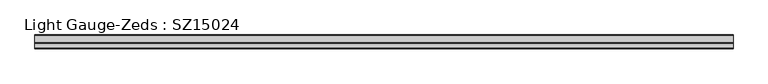
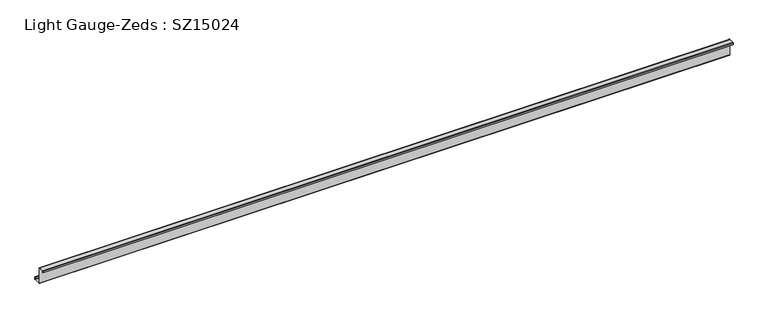
"""IFC4 building model written with IfcOpenShell, lengths in millimetres: beam geometry, Light Gauge-Zeds : SZ15024."""

from ifc_helpers import new_model, si_unit, point, frame, frame_2d, origin, place, context, project, spatial, polyline, circle_curve, trimmed, segment, composite_curve, outline, extrude, source, transform, mapped, element, save


def light_gauge_zeds_sz15024_4b74ed11(model_context):
    return source(origin(), model_context, "Body", "SweptSolid", [
        extrude(outline(composite_curve([segment(polyline([(0.0, -71.6), (0.0, 71.6)]), True, "CONTINUOUS"), segment(trimmed(circle_curve(frame_2d((-2.0, 71.6)), 2.0), [point((0.0, 71.6))], [point((-2.0, 73.6))], True, "CARTESIAN"), True, "CONTINUOUS"), segment(polyline([(-2.0, 73.6), (-47.6, 73.6)]), True, "CONTINUOUS"), segment(trimmed(circle_curve(frame_2d((-47.6, 71.6)), 2.0), [point((-47.6, 73.6))], [point((-49.6, 71.6))], True, "CARTESIAN"), True, "CONTINUOUS"), segment(polyline([(-49.6, 71.6), (-49.6, 57.0), (-52.0, 57.0), (-52.0, 71.6)]), True, "CONTINUOUS"), segment(trimmed(circle_curve(frame_2d((-47.6, 71.6)), 4.4), [point((-52.0, 71.6))], [point((-47.6, 76.0))], False, "CARTESIAN"), True, "CONTINUOUS"), segment(polyline([(-47.6, 76.0), (-2.0, 76.0)]), True, "CONTINUOUS"), segment(trimmed(circle_curve(frame_2d((-2.0, 71.6)), 4.4), [point((-2.0, 76.0))], [point((2.4, 71.6))], False, "CARTESIAN"), True, "CONTINUOUS"), segment(polyline([(2.4, 71.6), (2.4, -71.6)]), True, "CONTINUOUS"), segment(trimmed(circle_curve(frame_2d((4.4, -71.6)), 2.0), [point((2.4, -71.6))], [point((4.4, -73.6))], True, "CARTESIAN"), True, "CONTINUOUS"), segment(polyline([(4.4, -73.6), (65.6, -73.6)]), True, "CONTINUOUS"), segment(trimmed(circle_curve(frame_2d((65.6, -71.6)), 2.0), [point((65.6, -73.6))], [point((67.6, -71.6))], True, "CARTESIAN"), True, "CONTINUOUS"), segment(polyline([(67.6, -71.6), (67.6, -56.0), (70.0, -56.0), (70.0, -71.6)]), True, "CONTINUOUS"), segment(trimmed(circle_curve(frame_2d((65.6, -71.6)), 4.4), [point((70.0, -71.6))], [point((65.6, -76.0))], False, "CARTESIAN"), True, "CONTINUOUS"), segment(polyline([(65.6, -76.0), (4.4, -76.0)]), True, "CONTINUOUS"), segment(trimmed(circle_curve(frame_2d((4.4, -71.6)), 4.4), [point((4.4, -76.0))], [point((0.0, -71.6))], False, "CARTESIAN"), True, "CONTINUOUS")], self_intersect=False)), frame((-2830.0, 0.0, 0.0), z_axis=(1.0, 0.0, 0.0), x_axis=(0.0, 1.0, 0.0)), (0.0, 0.0, 1.0), 6183.0),
    ])


if __name__ == "__main__":
    model = new_model("IFC4")
    model_context = context("Model", 3, world=origin())
    ifc_project = project(units=[si_unit("LENGTHUNIT", "METRE", prefix="MILLI")], contexts=[model_context])
    site = spatial("IfcSite", under=ifc_project)
    building = spatial("IfcBuilding", under=site)
    placement = place(None, origin())
    light_gauge_zeds_sz15024_shape = light_gauge_zeds_sz15024_4b74ed11(model_context)
    element("IfcBeam", 1, ObjectType="Light Gauge-Zeds : SZ15024", at=placement, inside=building, context=model_context, shape_type="MappedRepresentation", body=[
        mapped(light_gauge_zeds_sz15024_shape, transform((0.0, 0.0, 0.0), x_axis=(1.0, 0.0, 0.0), y_axis=(0.0, 1.0, 0.0), z_axis=(0.0, 0.0, 1.0))),
    ])
    save(model, "model.ifc")
